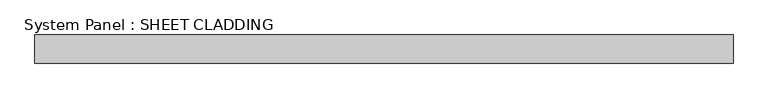
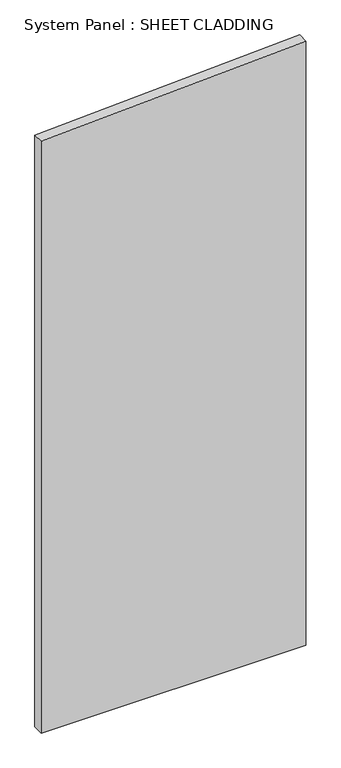
"""IFC4 building model written with IfcOpenShell, lengths in millimetres: plate geometry, System Panel : SHEET CLADDING."""

from ifc_helpers import new_model, si_unit, frame, origin, place, context, project, spatial, polyline, outline, extrude, source, transform, mapped, element, save


def system_panel_sheet_cladding_acd47b46(model_context):
    return source(origin(), model_context, "Body", "SweptSolid", [
        extrude(outline(polyline([(0.0, -735.4591837), (0.0, 735.4591837), (3549.9214286, 735.4591837), (3476.3755102, -735.4591837), (0.0, -735.4591837)])), frame((0.0, -10.5, 0.0), z_axis=(0.0, 1.0, 0.0), x_axis=(0.0, 0.0, 1.0)), (0.0, 0.0, 1.0), 60.0),
    ])


if __name__ == "__main__":
    model = new_model("IFC4")
    model_context = context("Model", 3, world=origin())
    ifc_project = project(units=[si_unit("LENGTHUNIT", "METRE", prefix="MILLI")], contexts=[model_context])
    site = spatial("IfcSite", under=ifc_project)
    building = spatial("IfcBuilding", under=site)
    placement = place(None, origin())
    system_panel_sheet_cladding_shape = system_panel_sheet_cladding_acd47b46(model_context)
    element("IfcPlate", 1, ObjectType="System Panel : SHEET CLADDING", at=placement, inside=building, context=model_context, shape_type="MappedRepresentation", body=[
        mapped(system_panel_sheet_cladding_shape, transform((0.0, 0.0, 0.0), x_axis=(1.0, 0.0, 0.0), y_axis=(0.0, 1.0, 0.0), z_axis=(0.0, 0.0, 1.0))),
    ])
    save(model, "model.ifc")
